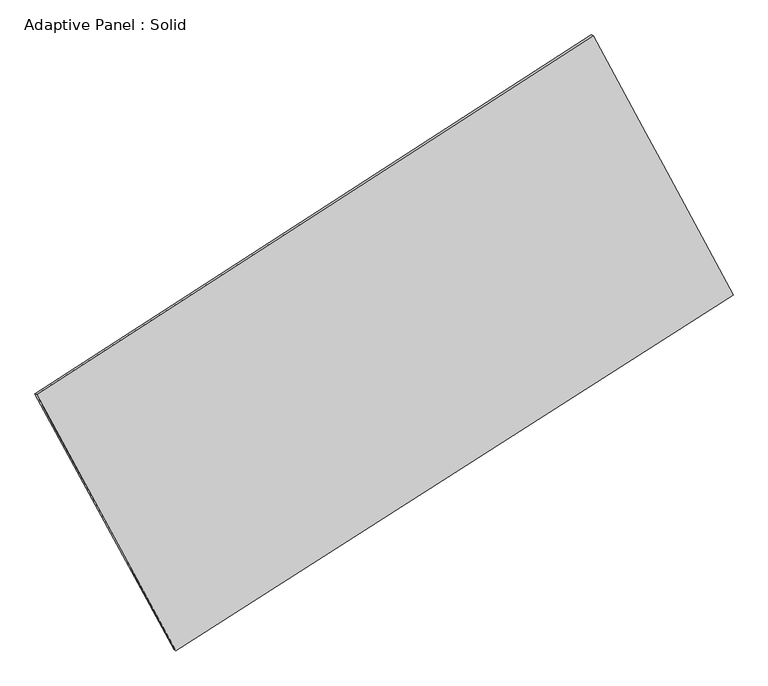
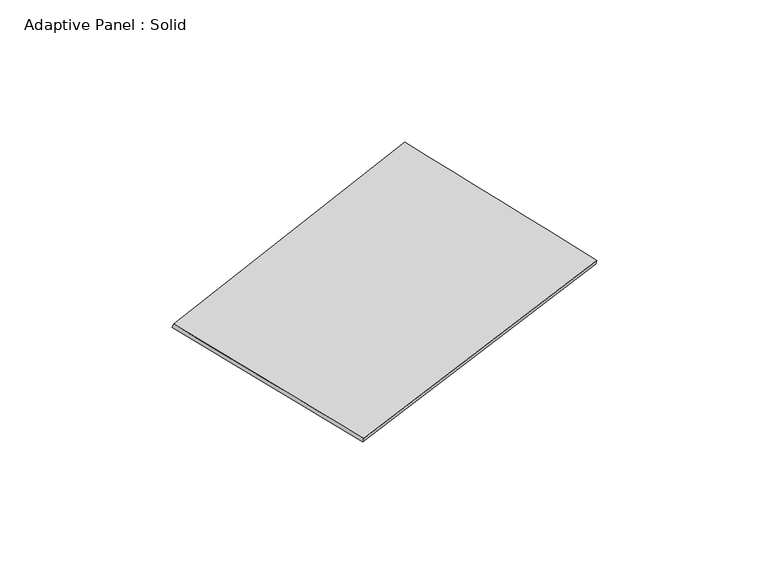
"""IFC4 building model written with IfcOpenShell, lengths in millimetres: plate geometry, Adaptive Panel : Solid."""

from ifc_helpers import new_model, si_unit, frame, origin, place, context, project, spatial, source, transform, mapped, element, save
from ifc_brep_helpers import plane_surface, spline_surface, advanced_brep


def adaptive_panel_solid_c1225736(model_context):
    return source(origin(), model_context, "Body", "AdvancedBrep", [
        advanced_brep(
        [(1172.0426309, 2597.8546245, 678.6371292), (-3694.0729369, -542.0406195, 1745.4542043), (-3679.406581, -548.420713, 1792.8271123), (1186.7089867, 2591.474531, 726.0100372), (-2477.0444069, -2783.6818363, 1083.7175454), (-2462.378051, -2790.0619297, 1131.0904534), (2395.7841348, 327.6192584, -22.6863587), (2410.4504906, 321.239165, 24.6865493)],
        [
            (0, 1),
            (1, 2),
            (2, 3),
            (3, 0),
            (1, 4),
            (4, 5),
            (5, 2),
            (4, 6),
            (6, 7),
            (7, 5),
            (6, 0),
            (3, 7),
        ],
        [
            plane_surface(frame((-1261.015153, 1027.9070025, 1212.0456667), z_axis=(-0.48208079714999463, 0.8360814126886893, 0.26185105761808863), x_axis=(-0.8263559543741296, -0.5332119829224877, 0.18116516756344297))),
            plane_surface(frame((-3085.5586719, -1662.8612279, 1414.5858749), z_axis=(-0.8380327888522179, -0.5112477634880851, 0.1905958266515956), x_axis=(0.46184432940588593, -0.8506696918100187, -0.2511192761049525))),
            plane_surface(frame((-40.6301361, -1228.0312889, 530.5155934), z_axis=(0.476810288369011, -0.8394644215320566, -0.26067495830499354), x_axis=(0.8278223421058454, 0.5285645774754526, -0.18796185077985625))),
            plane_surface(frame((1783.9133828, 1462.7369415, 327.9753853), z_axis=(0.8382819070722205, 0.5107872495051806, -0.19073497324374872), x_axis=(-0.4578658181923397, 0.8494140061854687, 0.26240186475521077))),
            spline_surface(1, 1, [[(-3679.406581, -548.420713, 1792.8271123), (1186.7089867, 2591.474531, 726.0100372)], [(-2462.378051, -2790.0619297, 1131.0904534), (2410.4504906, 321.239165, 24.6865493)]], [2, 2], [2, 2], [0.0, 1.0], [0.0, 1.0]),
            spline_surface(1, 1, [[(2395.7841348, 327.6192584, -22.6863587), (1172.0426309, 2597.8546245, 678.6371292)], [(-2477.0444069, -2783.6818363, 1083.7175454), (-3694.0729369, -542.0406195, 1745.4542043)]], [2, 2], [2, 2], [0.0, 1.0], [0.0, 1.0]),
        ],
        [
            (0, [[1, 2, 3, 4]]),
            (1, [[5, 6, 7, -2]]),
            (2, [[8, 9, 10, -6]]),
            (3, [[11, -4, 12, -9]]),
            (4, [[-3, -7, -10, -12]]),
            (5, [[-11, -8, -5, -1]]),
        ],
    ),
    ])


if __name__ == "__main__":
    model = new_model("IFC4")
    model_context = context("Model", 3, world=origin())
    ifc_project = project(units=[si_unit("LENGTHUNIT", "METRE", prefix="MILLI")], contexts=[model_context])
    site = spatial("IfcSite", under=ifc_project)
    building = spatial("IfcBuilding", under=site)
    placement = place(None, origin())
    adaptive_panel_solid_shape = adaptive_panel_solid_c1225736(model_context)
    element("IfcPlate", 1, ObjectType="Adaptive Panel : Solid", at=placement, inside=building, context=model_context, shape_type="MappedRepresentation", body=[
        mapped(adaptive_panel_solid_shape, transform((0.0, 0.0, 0.0), x_axis=(1.0, 0.0, 0.0), y_axis=(0.0, 1.0, 0.0), z_axis=(0.0, 0.0, 1.0))),
    ])
    save(model, "model.ifc")
